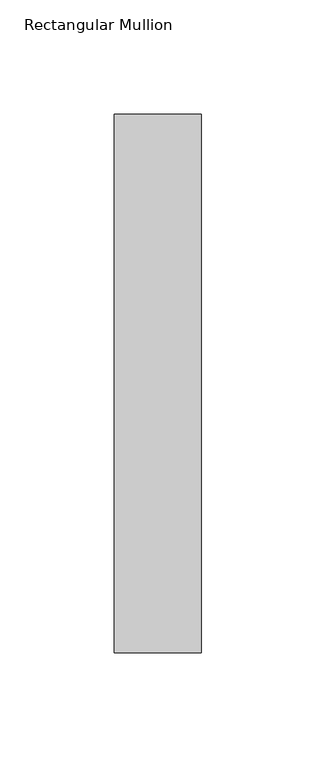
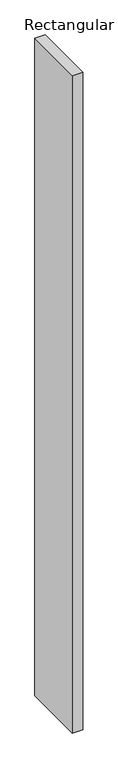
"""IFC4 building model written with IfcOpenShell, lengths in millimetres: member geometry, Rectangular Mullion."""

from ifc_helpers import new_model, si_unit, frame, origin, place, context, project, spatial, polyline, outline, extrude, source, transform, mapped, element, save


def rectangular_mullion_6c8d8c38(model_context):
    return source(origin(), model_context, "Body", "SweptSolid", [
        extrude(outline(polyline([(19.0, 0.0), (19.0, -235.0), (-19.0, -235.0), (-19.0, 0.0), (19.0, 0.0)])), frame((0.0, 0.0, -2524.0), z_axis=(0.0, 0.0, 1.0), x_axis=(1.0, 0.0, 0.0)), (0.0, 0.0, 1.0), 2524.0),
    ])


if __name__ == "__main__":
    model = new_model("IFC4")
    model_context = context("Model", 3, world=origin())
    ifc_project = project(units=[si_unit("LENGTHUNIT", "METRE", prefix="MILLI")], contexts=[model_context])
    site = spatial("IfcSite", under=ifc_project)
    building = spatial("IfcBuilding", under=site)
    placement = place(None, origin())
    rectangular_mullion_shape = rectangular_mullion_6c8d8c38(model_context)
    element("IfcMember", 1, ObjectType="Rectangular Mullion", at=placement, inside=building, context=model_context, shape_type="MappedRepresentation", body=[
        mapped(rectangular_mullion_shape, transform((0.0, 0.0, 0.0), x_axis=(1.0, 0.0, 0.0), y_axis=(0.0, 1.0, 0.0), z_axis=(0.0, 0.0, 1.0))),
    ])
    save(model, "model.ifc")
